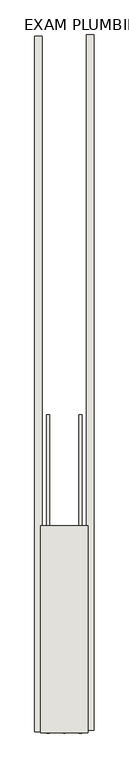
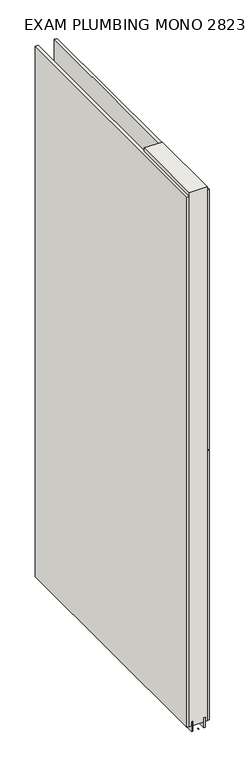
"""IFC4 building model written with IfcOpenShell, lengths in millimetres: wall geometry, EXAM PLUMBING MONO 282375 : EXAM PLUMBING MONO 282375."""

from ifc_helpers import new_model, si_unit, frame, origin, place, context, project, spatial, polyline, outline, extrude, source, transform, mapped, element, save


def exam_plumbing_mono_282375_exam_plumbing_mono_282375_9a41183e(model_context):
    return source(origin(), model_context, "Body", "SweptSolid", [
        extrude(outline(polyline([(78033.282211, -55512.414375), (78033.282211, -55514.954375), (78030.742211, -55514.954375), (78030.742211, -55512.414375), (78033.282211, -55512.414375)])), frame((0.0, 0.0, 4419.6), z_axis=(0.0, 0.0, 1.0), x_axis=(1.0, 0.0, 0.0)), (0.0, 0.0, 1.0), 2.54),
        extrude(outline(polyline([(77981.212211, -55512.9546584), (77981.212211, -54319.6714976), (77993.912211, -54319.6714976), (77993.912211, -55512.9546584), (77981.212211, -55512.9546584)])), frame((0.0, 0.0, 4445.0), z_axis=(0.0, 0.0, 1.0), x_axis=(1.0, 0.0, 0.0)), (0.0, 0.0, 1.0), 2545.0498756),
        extrude(outline(polyline([(78082.812211, -54317.2034304), (78082.812211, -55510.4865912), (78070.112211, -55510.4865912), (78070.112211, -54317.2034304), (78082.812211, -54317.2034304)])), frame((0.0, 0.0, 4445.0), z_axis=(0.0, 0.0, 1.0), x_axis=(1.0, 0.0, 0.0)), (0.0, 0.0, 1.0), 1293.400004),
        extrude(outline(polyline([(78082.812211, -54317.2034304), (78082.812211, -55510.4865912), (78070.112211, -55510.4865912), (78070.112211, -54317.2034304), (78082.812211, -54317.2034304)])), frame((0.0, 0.0, 5742.4000722), z_axis=(0.0, 0.0, 1.0), x_axis=(1.0, 0.0, 0.0)), (0.0, 0.0, 1.0), 1247.649905),
        extrude(outline(polyline([(78006.9284664, -54968.849422), (78006.9284664, -55514.949422), (78001.849711, -55514.949422), (78001.849711, -54968.849422), (78006.9284664, -54968.849422)])), frame((0.0, 0.0, 4418.6602), z_axis=(0.0, 0.0, 1.0), x_axis=(1.0, 0.0, 0.0)), (0.0, 0.0, 1.0), 47.625),
        extrude(outline(polyline([(78006.9284664, -54968.849422), (78006.9284664, -55514.949422), (78001.849711, -55514.949422), (78001.849711, -54968.849422), (78006.9284664, -54968.849422)])), frame((0.0, 0.0, 4418.6602), z_axis=(0.0, 0.0, 1.0), x_axis=(1.0, 0.0, 0.0)), (0.0, 0.0, 1.0), 47.625),
        extrude(outline(polyline([(78057.0959556, -55514.949422), (78057.0959556, -54968.849422), (78062.174711, -54968.849422), (78062.174711, -55514.949422), (78057.0959556, -55514.949422)])), frame((0.0, 0.0, 4418.6602), z_axis=(0.0, 0.0, 1.0), x_axis=(1.0, 0.0, 0.0)), (0.0, 0.0, 1.0), 47.625),
        extrude(outline(polyline([(78057.0959556, -55514.949422), (78057.0959556, -54968.849422), (78062.174711, -54968.849422), (78062.174711, -55514.949422), (78057.0959556, -55514.949422)])), frame((0.0, 0.0, 4418.6602), z_axis=(0.0, 0.0, 1.0), x_axis=(1.0, 0.0, 0.0)), (0.0, 0.0, 1.0), 47.625),
        extrude(outline(polyline([(77991.3573266, -55159.349422), (78072.6670954, -55159.349422), (78072.6670954, -55514.949422), (77991.3573266, -55514.949422), (77991.3573266, -55159.349422)])), frame((0.0, 0.0, 4445.0), z_axis=(0.0, 0.0, 1.0), x_axis=(1.0, 0.0, 0.0)), (0.0, 0.0, 1.0), 2562.4536762),
    ])


if __name__ == "__main__":
    model = new_model("IFC4")
    model_context = context("Model", 3, world=origin())
    ifc_project = project(units=[si_unit("LENGTHUNIT", "METRE", prefix="MILLI")], contexts=[model_context])
    site = spatial("IfcSite", under=ifc_project)
    building = spatial("IfcBuilding", under=site)
    placement = place(None, origin())
    exam_plumbing_mono_282375_exam_plumbing_mono_282375_shape = exam_plumbing_mono_282375_exam_plumbing_mono_282375_9a41183e(model_context)
    element("IfcWall", 1, ObjectType="EXAM PLUMBING MONO 282375 : EXAM PLUMBING MONO 282375", at=placement, inside=building, context=model_context, shape_type="MappedRepresentation", body=[
        mapped(exam_plumbing_mono_282375_exam_plumbing_mono_282375_shape, transform((0.0, 0.0, 0.0), x_axis=(1.0, 0.0, 0.0), y_axis=(0.0, 1.0, 0.0), z_axis=(0.0, 0.0, 1.0))),
    ])
    save(model, "model.ifc")
